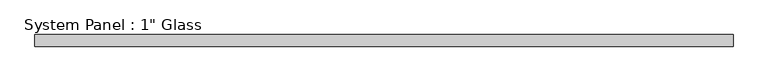
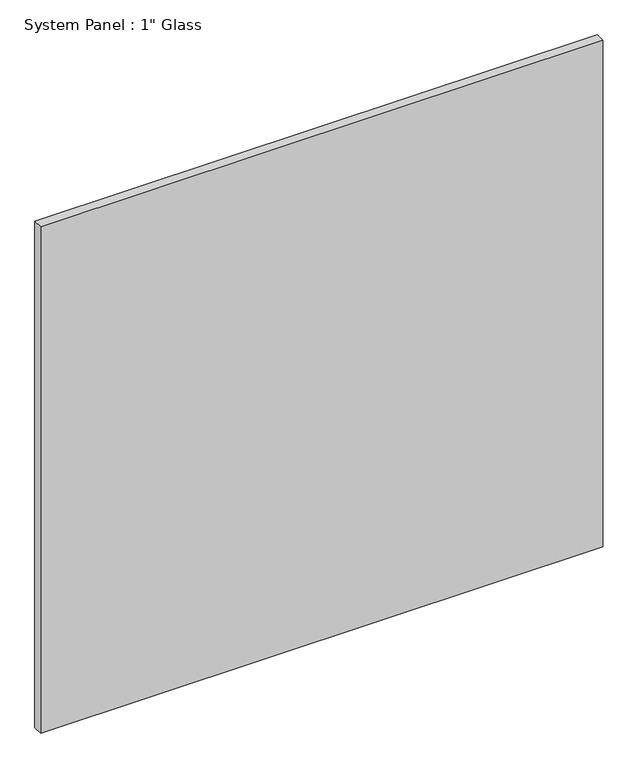
"""IFC4 building model written with IfcOpenShell, lengths in millimetres: plate geometry."""

import ifcopenshell
import ifcopenshell.guid

model = None  # the IFC model being written
_history = None  # IfcOwnerHistory: only IFC2X3 demands one
_inside = {}  # id of a spatial element -> (the spatial element, [elements in it])
_under = {}  # id of a project, library or spatial element -> (it, [spatial elements below it])
_declared = {}  # id of a project -> (the project, [libraries it declares])
_typed = {}  # id of a type object -> (the type object, [elements of that type])
_made_of = {}  # id of a material, layer set ... -> (it, [elements and type objects made of it])


def new_model(schema):
    """Start an empty IFC model of exactly this schema.

    Asked for "IFC4X3", IfcOpenShell would pick the latest addendum, in which some entities
    have other attributes; the version numbers below select the first issue.
    IFC2X3 requires an IfcOwnerHistory on every rooted entity: one is made here for all.
    """
    global model, _history
    if schema == "IFC4X3":
        model = ifcopenshell.file(schema_version=(4, 3, 0, 0))
    else:
        model = ifcopenshell.file(schema=schema)
    _inside.clear()
    _under.clear()
    _declared.clear()
    _typed.clear()
    _made_of.clear()
    _history = None
    if model.schema == "IFC2X3":
        org = make("IfcOrganization", Name="unknown")
        user = make(
            "IfcPersonAndOrganization",
            ThePerson=make("IfcPerson", FamilyName="unknown"),
            TheOrganization=org,
        )
        app = make(
            "IfcApplication",
            ApplicationDeveloper=org,
            Version="unknown",
            ApplicationFullName="unknown",
            ApplicationIdentifier="unknown",
        )
        _history = make(
            "IfcOwnerHistory",
            OwningUser=user,
            OwningApplication=app,
            ChangeAction="ADDED",
            CreationDate=0,
        )
    return model


def make(cls, **values):
    """One entity of the class cls with the attributes given. An attribute that is None is left unset."""
    return model.create_entity(
        cls, **{name: value for name, value in values.items() if value is not None}
    )


def rooted(cls, **values):
    """An entity with a GlobalId (a new one), such as an element, a storey or a relation."""
    return make(cls, GlobalId=ifcopenshell.guid.new(), OwnerHistory=_history, **values)


def si_unit(unit_type, name, prefix=None):
    """IfcSIUnit, for example si_unit("LENGTHUNIT", "METRE", prefix="MILLI")."""
    return make("IfcSIUnit", UnitType=unit_type, Prefix=prefix, Name=name)


def assignment(units):
    """IfcUnitAssignment: the units of a project."""
    return None if units is None else make("IfcUnitAssignment", Units=units)


def point(xyz):
    """IfcCartesianPoint."""
    return None if xyz is None else make("IfcCartesianPoint", Coordinates=xyz)


def direction(xyz):
    """IfcDirection."""
    return None if xyz is None else make("IfcDirection", DirectionRatios=xyz)


def frame(location, z_axis=None, x_axis=None):
    """IfcAxis2Placement3D, a coordinate frame: its origin and axes. An axis left out is left unset."""
    return make(
        "IfcAxis2Placement3D",
        Location=point(location),
        Axis=direction(z_axis),
        RefDirection=direction(x_axis),
    )


def origin():
    """The frame at (0, 0, 0) with its axes left unset."""
    return frame((0.0, 0.0, 0.0))


def origin_with_axes():
    """The frame at (0, 0, 0) with the z axis (0, 0, 1) and the x axis (1, 0, 0) written out."""
    return frame((0.0, 0.0, 0.0), z_axis=(0.0, 0.0, 1.0), x_axis=(1.0, 0.0, 0.0))


def place(relative_to, where):
    """IfcLocalPlacement: puts the frame where relative to a parent placement (None: the world)."""
    return make(
        "IfcLocalPlacement", PlacementRelTo=relative_to, RelativePlacement=where
    )


def context(
    kind, dimensions, precision=None, world=None, true_north=None, identifier=None
):
    """IfcGeometricRepresentationContext, for example the 3D "Model" context."""
    return make(
        "IfcGeometricRepresentationContext",
        ContextIdentifier=identifier,
        ContextType=kind,
        CoordinateSpaceDimension=dimensions,
        Precision=precision,
        WorldCoordinateSystem=world,
        TrueNorth=true_north,
    )


def project(units=None, contexts=None):
    """IfcProject with its units and contexts."""
    return rooted(
        "IfcProject",
        Name="project",
        RepresentationContexts=contexts,
        UnitsInContext=assignment(units),
    )


def spatial(cls, under=None, at=None, **own):
    """A site, building, storey or space (cls), placed at a placement, below another one or the project."""
    s = rooted(cls, ObjectPlacement=at, **own)
    if under is not None:
        _under.setdefault(under.id(), (under, []))[1].append(s)
    return s


def polyline(points):
    """IfcPolyline through the points."""
    return make("IfcPolyline", Points=[point(p) for p in points])


def outline(outer, holes=None, kind="AREA"):
    """IfcArbitraryClosedProfileDef: a profile drawn as a closed curve; with holes, ...WithVoids."""
    if holes is None:
        return make("IfcArbitraryClosedProfileDef", ProfileType=kind, OuterCurve=outer)
    return make(
        "IfcArbitraryProfileDefWithVoids",
        ProfileType=kind,
        OuterCurve=outer,
        InnerCurves=holes,
    )


def extrude(swept, where, along, depth):
    """IfcExtrudedAreaSolid: the profile swept, set in the frame where, extruded along a direction by depth."""
    return make(
        "IfcExtrudedAreaSolid",
        SweptArea=swept,
        Position=where,
        ExtrudedDirection=direction(along),
        Depth=depth,
    )


def shape(context_of_items, identifier, shape_type, items):
    """IfcShapeRepresentation: the items that make up one representation, for example the "Body"."""
    return make(
        "IfcShapeRepresentation",
        ContextOfItems=context_of_items,
        RepresentationIdentifier=identifier,
        RepresentationType=shape_type,
        Items=items,
    )


def source(mapping_origin, context_of_items, identifier, shape_type, items):
    """IfcRepresentationMap: a shape defined once, which mapped items show again and again."""
    return make(
        "IfcRepresentationMap",
        MappingOrigin=mapping_origin,
        MappedRepresentation=shape(context_of_items, identifier, shape_type, items),
    )


def transform(
    local_origin,
    x_axis=None,
    y_axis=None,
    z_axis=None,
    scale=None,
    scale2=None,
    scale3=None,
    uniform=True,
):
    """IfcCartesianTransformationOperator3D, or its non-uniform kind. x_axis, y_axis, z_axis: its Axis1, 2, 3."""
    if uniform:
        return make(
            "IfcCartesianTransformationOperator3D",
            Axis1=direction(x_axis),
            Axis2=direction(y_axis),
            LocalOrigin=point(local_origin),
            Scale=scale,
            Axis3=direction(z_axis),
        )
    return make(
        "IfcCartesianTransformationOperator3DnonUniform",
        Axis1=direction(x_axis),
        Axis2=direction(y_axis),
        LocalOrigin=point(local_origin),
        Scale=scale,
        Axis3=direction(z_axis),
        Scale2=scale2,
        Scale3=scale3,
    )


def mapped(mapping_source, mapping_target):
    """IfcMappedItem: shows the shape of a source again, moved by a transform."""
    return make(
        "IfcMappedItem", MappingSource=mapping_source, MappingTarget=mapping_target
    )


def made_of(thing, what):
    """Note that an element or type object is made of a material, layer set ...; save() writes the relation."""
    if what is not None:
        _made_of.setdefault(what.id(), (what, []))[1].append(thing)
    return thing


def element(
    cls,
    number,
    at=None,
    inside=None,
    cuts=None,
    type_object=None,
    material=None,
    context=None,
    identifier="Body",
    shape_type=None,
    held_by="IfcProductDefinitionShape",
    body=None,
    shapes=None,
    **own,
):
    """One element of the class cls, such as IfcWall. Its Tag is "e" and its number.

    at: its placement. inside: the storey or other place that contains it. cuts: it is an
    opening in that element (IfcRelVoidsElement). A single representation is given by context,
    identifier, shape_type and body (its items); several are given by shapes. held_by: the class
    of the entity that holds the representations. save() writes the other relations.
    """
    e = rooted(cls, Tag="e%d" % number, ObjectPlacement=at, **own)
    if body is not None:
        shapes = [shape(context, identifier, shape_type, body)]
    if shapes is not None:
        e.Representation = make(held_by, Representations=shapes)
    if inside is not None:
        _inside.setdefault(inside.id(), (inside, []))[1].append(e)
    if cuts is not None:
        rooted(
            "IfcRelVoidsElement", RelatingBuildingElement=cuts, RelatedOpeningElement=e
        )
    if type_object is not None:
        _typed.setdefault(type_object.id(), (type_object, []))[1].append(e)
    return made_of(e, material)


def aggregate(whole, parts):
    """IfcRelAggregates: a whole, such as a stair, and the parts it consists of."""
    return rooted("IfcRelAggregates", RelatingObject=whole, RelatedObjects=parts)


def save(model, path):
    """Write the relations noted so far, then the file.

    IfcRelAggregates (storeys below a building ...), IfcRelContainedInSpatialStructure (elements
    in a storey), IfcRelDefinesByType, IfcRelAssociatesMaterial and IfcRelDeclares: one each for
    every whole, place, type object, material and project.
    """
    for whole, parts in _under.values():
        aggregate(whole, parts)
    for where, things in _inside.values():
        rooted(
            "IfcRelContainedInSpatialStructure",
            RelatedElements=things,
            RelatingStructure=where,
        )
    for kind, things in _typed.values():
        rooted("IfcRelDefinesByType", RelatedObjects=things, RelatingType=kind)
    for what, things in _made_of.values():
        rooted("IfcRelAssociatesMaterial", RelatedObjects=things, RelatingMaterial=what)
    for by, libraries in _declared.values():
        rooted("IfcRelDeclares", RelatingContext=by, RelatedDefinitions=libraries)
    model.write(path)


def plate_6d5dd89a(model_context):
    return source(origin(), model_context, "Body", "SweptSolid", [
        extrude(outline(polyline([(734.0055865, -12.7), (-734.0055865, -12.7), (-734.0055865, 12.7), (734.0055865, 12.7), (734.0055865, -12.7)])), origin_with_axes(), (0.0, 0.0, 1.0), 1398.3841382),
    ])


if __name__ == "__main__":
    model = new_model("IFC4")
    model_context = context("Model", 3, world=origin())
    ifc_project = project(units=[si_unit("LENGTHUNIT", "METRE", prefix="MILLI")], contexts=[model_context])
    site = spatial("IfcSite", under=ifc_project)
    building = spatial("IfcBuilding", under=site)
    placement = place(None, origin())
    plate_shape = plate_6d5dd89a(model_context)
    element("IfcPlate", 1, ObjectType="System Panel : 1\" Glass", at=placement, inside=building, context=model_context, shape_type="MappedRepresentation", body=[
        mapped(plate_shape, transform((0.0, 0.0, 0.0), x_axis=(1.0, 0.0, 0.0), y_axis=(0.0, 1.0, 0.0), z_axis=(0.0, 0.0, 1.0))),
    ])
    save(model, "model.ifc")
